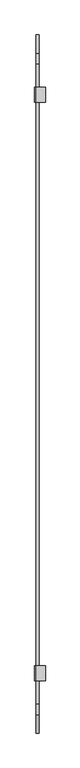
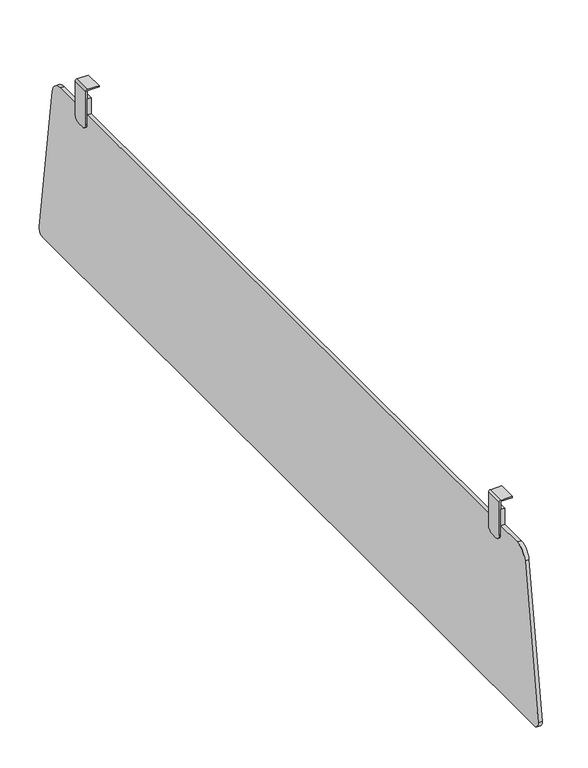
"""IFC4 building model written with IfcOpenShell, lengths in millimetres: furniture geometry."""

from ifc_helpers import new_model, si_unit, point, frame, frame_2d, origin, place, context, project, spatial, polyline, circle_curve, trimmed, segment, composite_curve, outline, extrude, source, transform, mapped, element, save
from ifc_brep_helpers import plane_surface, cylinder_surface, advanced_brep


def furniture_7c4ade87(model_context):
    return source(origin(), model_context, "Body", "SolidModel", [
        extrude(outline(composite_curve([segment(trimmed(circle_curve(frame_2d((578.5487318, 598.1281975)), 21.0), [point((578.5487318, 619.1281975))], [point((599.332973, 601.1307491))], False, "CARTESIAN"), True, "CONTINUOUS"), segment(polyline([(599.332973, 601.1307491), (633.966148, 361.3932362)]), True, "CONTINUOUS"), segment(trimmed(circle_curve(frame_2d((624.0688902, 359.9634497)), 10.0), [point((633.966148, 361.3932362))], [point((624.0688902, 349.9634497))], False, "CARTESIAN"), True, "CONTINUOUS"), segment(polyline([(624.0688902, 349.9634497), (-674.0688902, 349.9634497)]), True, "CONTINUOUS"), segment(trimmed(circle_curve(frame_2d((-674.0688902, 359.9634497)), 10.0), [point((-674.0688902, 349.9634497))], [point((-683.966148, 361.3932362))], False, "CARTESIAN"), True, "CONTINUOUS"), segment(polyline([(-683.966148, 361.3932362), (-649.332973, 601.1307491)]), True, "CONTINUOUS"), segment(trimmed(circle_curve(frame_2d((-628.5487318, 598.1281975)), 21.0), [point((-649.332973, 601.1307491))], [point((-628.5487318, 619.1281975))], False, "CARTESIAN"), True, "CONTINUOUS"), segment(polyline([(-628.5487318, 619.1281975), (-585.0064946, 619.1281975), (-585.0064946, 644.9634665), (-557.0064959, 644.9634665), (-557.0064959, 619.1281975), (507.0064959, 619.1281975), (507.0064959, 644.9634665), (535.0064946, 644.9634665), (535.0064946, 619.1281975), (578.5487318, 619.1281975)]), True, "CONTINUOUS")], self_intersect=False)), frame((38.1046811, 0.0, 0.0), z_axis=(1.0, 0.0, 0.0), x_axis=(0.0, 1.0, 0.0)), (0.0, 0.0, 1.0), 5.9999994),
        advanced_brep(
        [(56.0070245, 535.0064946, 659.963423), (56.0070245, 535.0064946, 657.9634724), (38.1046811, 535.0064946, 657.9634724), (38.1046811, 535.0064946, 603.953015), (36.0070257, 535.0064946, 603.953015), (36.0070257, 535.0064946, 657.1510836), (38.8193651, 535.0064946, 659.963423), (56.0070245, 507.0064959, 659.963423), (38.8193651, 507.0064959, 659.963423), (36.0070257, 507.0064959, 657.1510836), (36.0070257, 507.0064959, 603.7388224), (38.1046811, 507.0064959, 603.7388224), (38.1046811, 507.0064959, 657.9634724), (56.0070245, 507.0064959, 657.9634724), (36.0070257, 526.0169094, 594.9634297), (36.0070257, 515.7818885, 594.9634297), (38.1046811, 515.7818885, 594.9634297), (38.1046811, 526.0169094, 594.9634297)],
        [
            (0, 1),
            (1, 2),
            (2, 3),
            (3, 4),
            (4, 5),
            (5, 6, circle_curve(frame((38.8193651, 535.0064946, 657.1510836), z_axis=(0.0, 1.0, 0.0), x_axis=(1.0, 0.0, 0.0)), 2.8123394)),
            (6, 0),
            (7, 8),
            (8, 9, circle_curve(frame((38.8193651, 507.0064959, 657.1510836), z_axis=(0.0, -1.0, 0.0), x_axis=(1.0, 0.0, 0.0)), 2.8123394)),
            (9, 10),
            (10, 11),
            (11, 12),
            (12, 13),
            (13, 7),
            (6, 8),
            (7, 0),
            (5, 9),
            (4, 14, circle_curve(frame((36.0070257, 526.0169094, 603.953015), z_axis=(-1.0, 0.0, 0.0), x_axis=(0.0, -1.0, 0.0)), 8.9895852)),
            (14, 15),
            (15, 10, circle_curve(frame((36.0070257, 515.7818885, 603.7388224), z_axis=(-1.0, 0.0, 0.0), x_axis=(0.0, -1.0, 0.0)), 8.7753927)),
            (2, 12),
            (11, 16, circle_curve(frame((38.1046811, 515.7818885, 603.7388224), z_axis=(1.0, 0.0, 0.0), x_axis=(0.0, -1.0, 0.0)), 8.7753927)),
            (16, 17),
            (17, 3, circle_curve(frame((38.1046811, 526.0169094, 603.953015), z_axis=(1.0, 0.0, 0.0), x_axis=(0.0, -1.0, 0.0)), 8.9895852)),
            (1, 13),
            (17, 14),
            (16, 15),
        ],
        [
            plane_surface(frame((56.0070245, 535.0064946, 657.9634724), z_axis=(0.0, 1.0, 0.0), x_axis=(0.0, 0.0, -1.0))),
            plane_surface(frame((56.0070245, 507.0064959, 657.9634724), z_axis=(0.0, -1.0, 0.0), x_axis=(0.0, 0.0, 1.0))),
            plane_surface(frame((38.8193651, 535.0064946, 659.963423), z_axis=(0.0, 0.0, 1.0), x_axis=(0.0, -1.0, 0.0))),
            cylinder_surface(frame((38.8193651, 507.0064959, 657.1510836), z_axis=(0.0, 1.0, 0.0), x_axis=(1.0, 0.0, 0.0)), 2.8123394),
            plane_surface(frame((36.0070257, 535.0064946, 605.9634487), z_axis=(-1.0, 0.0, 0.0), x_axis=(0.0, -1.0, 0.0))),
            plane_surface(frame((38.1046811, 535.0064946, 657.9634724), z_axis=(1.0, 0.0, 0.0), x_axis=(0.0, -1.0, 0.0))),
            plane_surface(frame((56.0070245, 535.0064946, 657.9634724), z_axis=(0.0, 0.0, -1.0), x_axis=(0.0, -1.0, 0.0))),
            plane_surface(frame((56.0070245, 535.0064946, 659.963423), z_axis=(1.0, 0.0, 0.0), x_axis=(0.0, -1.0, 0.0))),
            cylinder_surface(frame((36.0070257, 526.0169094, 603.953015), z_axis=(1.0, 0.0, 0.0), x_axis=(0.0, -1.0, 0.0)), 8.9895852),
            plane_surface(frame((38.1046811, 515.7818885, 594.9634297), z_axis=(0.0, 0.0, -1.0), x_axis=(-1.0, 0.0, 0.0))),
            cylinder_surface(frame((36.0070257, 515.7818885, 603.7388224), z_axis=(1.0, 0.0, 0.0), x_axis=(0.0, -1.0, 0.0)), 8.7753927),
        ],
        [
            (0, [[1, 2, 3, 4, 5, 6, 7]]),
            (1, [[8, 9, 10, 11, 12, 13, 14]]),
            (2, [[-7, 15, -8, 16]]),
            (3, [[-6, 17, -9, -15]]),
            (4, [[-5, 18, 19, 20, -10, -17]]),
            (5, [[-3, 21, -12, 22, 23, 24]]),
            (6, [[-2, 25, -13, -21]]),
            (7, [[-1, -16, -14, -25]]),
            (8, [[-24, 26, -18, -4]]),
            (9, [[-23, 27, -19, -26]]),
            (10, [[-22, -11, -20, -27]]),
        ],
    ),
        advanced_brep(
        [(56.0070245, -585.0064946, 659.963423), (38.8193651, -585.0064946, 659.963423), (36.0070257, -585.0064946, 657.1510836), (36.0070257, -585.0064946, 603.953015), (38.1046811, -585.0064946, 603.953015), (38.1046811, -585.0064946, 657.9634724), (56.0070245, -585.0064946, 657.9634724), (56.0070245, -557.0064959, 659.963423), (56.0070245, -557.0064959, 657.9634724), (38.1046811, -557.0064959, 657.9634724), (38.1046811, -557.0064959, 603.7388224), (36.0070257, -557.0064959, 603.7388224), (36.0070257, -557.0064959, 657.1510836), (38.8193651, -557.0064959, 659.963423), (36.0070257, -565.7818885, 594.9634297), (36.0070257, -576.0169094, 594.9634297), (38.1046811, -576.0169094, 594.9634297), (38.1046811, -565.7818885, 594.9634297)],
        [
            (0, 1),
            (1, 2, circle_curve(frame((38.8193651, -585.0064946, 657.1510836), z_axis=(0.0, -1.0, 0.0), x_axis=(1.0, 0.0, 0.0)), 2.8123394)),
            (2, 3),
            (3, 4),
            (4, 5),
            (5, 6),
            (6, 0),
            (7, 8),
            (8, 9),
            (9, 10),
            (10, 11),
            (11, 12),
            (12, 13, circle_curve(frame((38.8193651, -557.0064959, 657.1510836), z_axis=(0.0, 1.0, 0.0), x_axis=(1.0, 0.0, 0.0)), 2.8123394)),
            (13, 7),
            (0, 7),
            (13, 1),
            (12, 2),
            (11, 14, circle_curve(frame((36.0070257, -565.7818885, 603.7388224), z_axis=(-1.0, 0.0, 0.0), x_axis=(0.0, 1.0, 0.0)), 8.7753927)),
            (14, 15),
            (15, 3, circle_curve(frame((36.0070257, -576.0169094, 603.953015), z_axis=(-1.0, 0.0, 0.0), x_axis=(0.0, 1.0, 0.0)), 8.9895852)),
            (4, 16, circle_curve(frame((38.1046811, -576.0169094, 603.953015), z_axis=(1.0, 0.0, 0.0), x_axis=(0.0, 1.0, 0.0)), 8.9895852)),
            (16, 17),
            (17, 10, circle_curve(frame((38.1046811, -565.7818885, 603.7388224), z_axis=(1.0, 0.0, 0.0), x_axis=(0.0, 1.0, 0.0)), 8.7753927)),
            (9, 5),
            (8, 6),
            (15, 16),
            (14, 17),
        ],
        [
            plane_surface(frame((56.0070245, -585.0064946, 659.963423), z_axis=(0.0, -1.0, 0.0), x_axis=(-1.0, 0.0, 0.0))),
            plane_surface(frame((56.0070245, -557.0064959, 659.963423), z_axis=(0.0, 1.0, 0.0), x_axis=(1.0, 0.0, 0.0))),
            plane_surface(frame((56.0070245, -585.0064946, 659.963423), z_axis=(0.0, 0.0, 1.0), x_axis=(0.0, 1.0, 0.0))),
            cylinder_surface(frame((38.8193651, -557.0064959, 657.1510836), z_axis=(0.0, -1.0, 0.0), x_axis=(1.0, 0.0, 0.0)), 2.8123394),
            plane_surface(frame((36.0070257, -585.0064946, 657.1510836), z_axis=(-1.0, 0.0, 0.0), x_axis=(0.0, 1.0, 0.0))),
            plane_surface(frame((38.1046811, -585.0064946, 605.9634487), z_axis=(1.0, 0.0, 0.0), x_axis=(0.0, 1.0, 0.0))),
            plane_surface(frame((38.1046811, -585.0064946, 657.9634724), z_axis=(0.0, 0.0, -1.0), x_axis=(0.0, 1.0, 0.0))),
            plane_surface(frame((56.0070245, -585.0064946, 657.9634724), z_axis=(1.0, 0.0, 0.0), x_axis=(0.0, 1.0, 0.0))),
            cylinder_surface(frame((36.0070257, -576.0169094, 603.953015), z_axis=(1.0, 0.0, 0.0), x_axis=(0.0, 1.0, 0.0)), 8.9895852),
            plane_surface(frame((38.1046811, -576.0169094, 594.9634297), z_axis=(0.0, 0.0, -1.0), x_axis=(-1.0, 0.0, 0.0))),
            cylinder_surface(frame((36.0070257, -565.7818885, 603.7388224), z_axis=(1.0, 0.0, 0.0), x_axis=(0.0, 1.0, 0.0)), 8.7753927),
        ],
        [
            (0, [[1, 2, 3, 4, 5, 6, 7]]),
            (1, [[8, 9, 10, 11, 12, 13, 14]]),
            (2, [[-1, 15, -14, 16]]),
            (3, [[-2, -16, -13, 17]]),
            (4, [[-3, -17, -12, 18, 19, 20]]),
            (5, [[-5, 21, 22, 23, -10, 24]]),
            (6, [[-6, -24, -9, 25]]),
            (7, [[-7, -25, -8, -15]]),
            (8, [[-21, -4, -20, 26]]),
            (9, [[-22, -26, -19, 27]]),
            (10, [[-23, -27, -18, -11]]),
        ],
    ),
    ])


if __name__ == "__main__":
    model = new_model("IFC4")
    model_context = context("Model", 3, world=origin())
    ifc_project = project(units=[si_unit("LENGTHUNIT", "METRE", prefix="MILLI")], contexts=[model_context])
    site = spatial("IfcSite", under=ifc_project)
    building = spatial("IfcBuilding", under=site)
    placement = place(None, origin())
    furniture_shape = furniture_7c4ade87(model_context)
    element("IfcFurniture", 1, at=placement, inside=building, context=model_context, shape_type="MappedRepresentation", body=[
        mapped(furniture_shape, transform((0.0, 0.0, 0.0), x_axis=(1.0, 0.0, 0.0), y_axis=(0.0, 1.0, 0.0), z_axis=(0.0, 0.0, 1.0))),
    ])
    save(model, "model.ifc")
